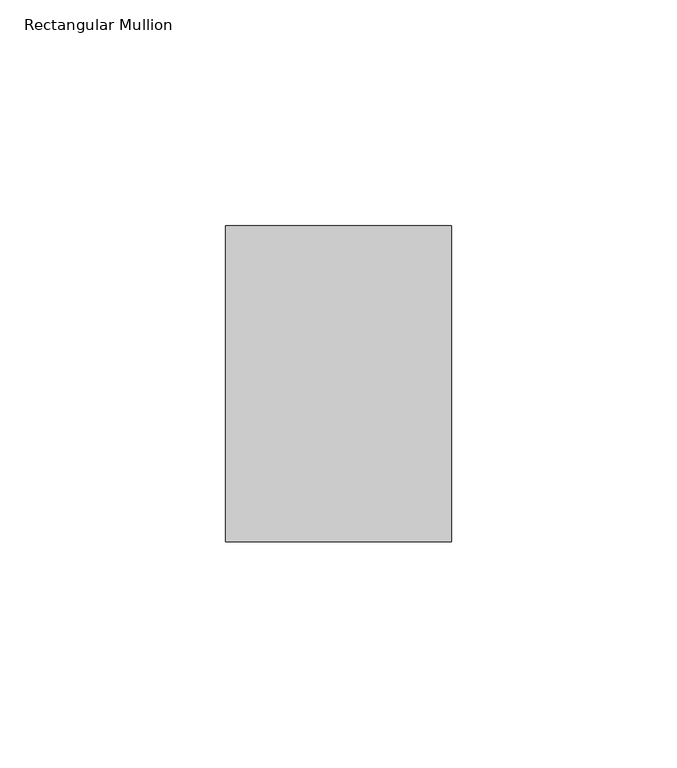
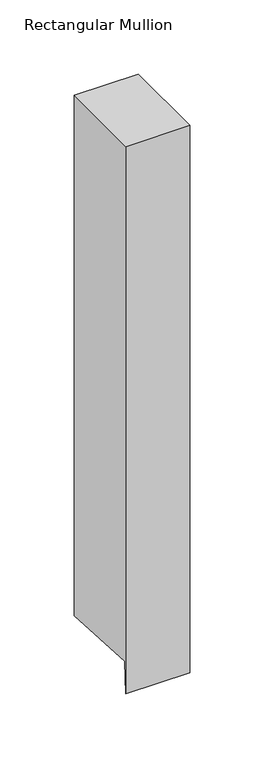
"""IFC4 building model written with IfcOpenShell, lengths in millimetres: member geometry, Rectangular Mullion."""

from ifc_helpers import new_model, si_unit, origin, place, context, project, spatial, faceted_brep, source, transform, mapped, element, save


def rectangular_mullion_d0147307(model_context):
    return source(origin(), model_context, "Body", "Brep", [
        faceted_brep([(25.0, 35.0, 0.0), (-25.0, 35.0, 0.0), (-25.0, -35.0, 0.0), (25.0, -35.0, 0.0), (25.0, 35.0, -429.311307), (0.0, 35.0, -429.311307), (-25.0, 35.0, -429.311307), (-25.0, -33.5498891, -425.4787732), (-25.0, -35.0, -451.4159064), (0.0, -35.0, -451.4159064), (25.0, -35.0, -451.4159064), (25.0, -33.5498891, -425.4787732), (0.0, -33.5498891, -425.4787732)], [[[0, 1, 2, 3]], [[1, 0, 4, 5, 6]], [[2, 1, 6, 7, 8]], [[3, 2, 8, 9, 10]], [[0, 3, 10, 11, 4]], [[4, 11, 12, 5]], [[11, 10, 9, 12]], [[9, 8, 7, 12]], [[7, 6, 5, 12]]]),
    ])


if __name__ == "__main__":
    model = new_model("IFC4")
    model_context = context("Model", 3, world=origin())
    ifc_project = project(units=[si_unit("LENGTHUNIT", "METRE", prefix="MILLI")], contexts=[model_context])
    site = spatial("IfcSite", under=ifc_project)
    building = spatial("IfcBuilding", under=site)
    placement = place(None, origin())
    rectangular_mullion_shape = rectangular_mullion_d0147307(model_context)
    element("IfcMember", 1, ObjectType="Rectangular Mullion", at=placement, inside=building, context=model_context, shape_type="MappedRepresentation", body=[
        mapped(rectangular_mullion_shape, transform((0.0, 0.0, 0.0), x_axis=(1.0, 0.0, 0.0), y_axis=(0.0, 1.0, 0.0), z_axis=(0.0, 0.0, 1.0))),
    ])
    save(model, "model.ifc")
